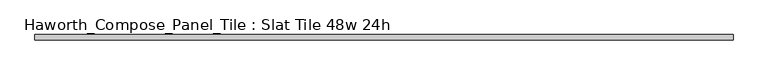
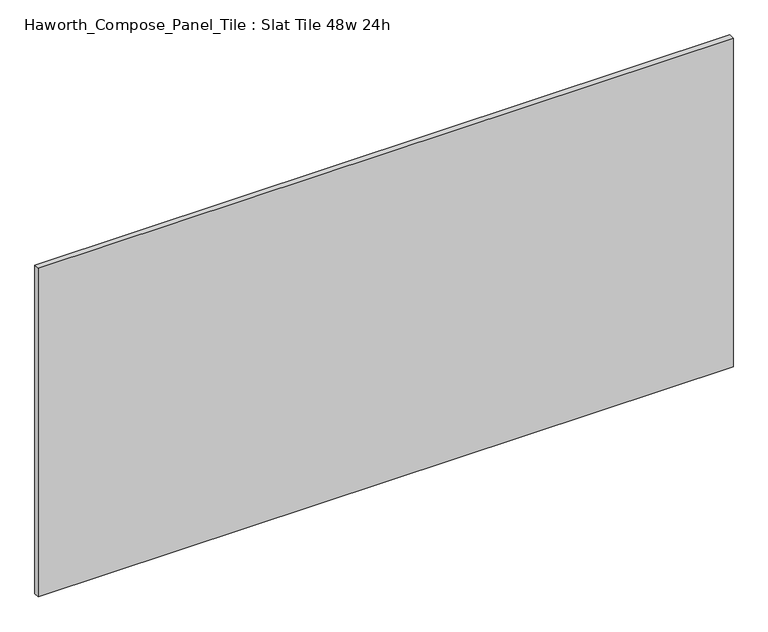
"""IFC4 building model written with IfcOpenShell, lengths in millimetres: furniture geometry, Haworth_Compose_Panel_Tile : Slat Tile 48w 24h."""

from ifc_helpers import new_model, si_unit, frame, origin, place, context, project, spatial, polyline, outline, extrude, source, transform, mapped, element, save


def haworth_compose_panel_tile_slat_tile_48w_24h_d39c614a(model_context):
    return source(origin(), model_context, "Body", "SweptSolid", [
        extrude(outline(polyline([(612.0402902, -25.7218594), (-607.1597098, -25.7218594), (-607.1597098, -16.1968594), (612.0402902, -16.1968594), (612.0402902, -25.7218594)])), frame((0.0, 0.0, 1066.8), z_axis=(0.0, 0.0, 1.0), x_axis=(1.0, 0.0, 0.0)), (0.0, 0.0, 1.0), 609.6),
    ])


if __name__ == "__main__":
    model = new_model("IFC4")
    model_context = context("Model", 3, world=origin())
    ifc_project = project(units=[si_unit("LENGTHUNIT", "METRE", prefix="MILLI")], contexts=[model_context])
    site = spatial("IfcSite", under=ifc_project)
    building = spatial("IfcBuilding", under=site)
    placement = place(None, origin())
    haworth_compose_panel_tile_slat_tile_48w_24h_shape = haworth_compose_panel_tile_slat_tile_48w_24h_d39c614a(model_context)
    element("IfcFurniture", 1, ObjectType="Haworth_Compose_Panel_Tile : Slat Tile 48w 24h", at=placement, inside=building, context=model_context, shape_type="MappedRepresentation", body=[
        mapped(haworth_compose_panel_tile_slat_tile_48w_24h_shape, transform((0.0, 0.0, 0.0), x_axis=(1.0, 0.0, 0.0), y_axis=(0.0, 1.0, 0.0), z_axis=(0.0, 0.0, 1.0))),
    ])
    save(model, "model.ifc")
